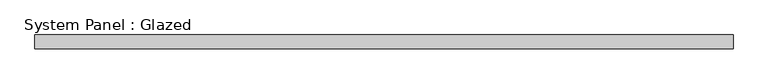
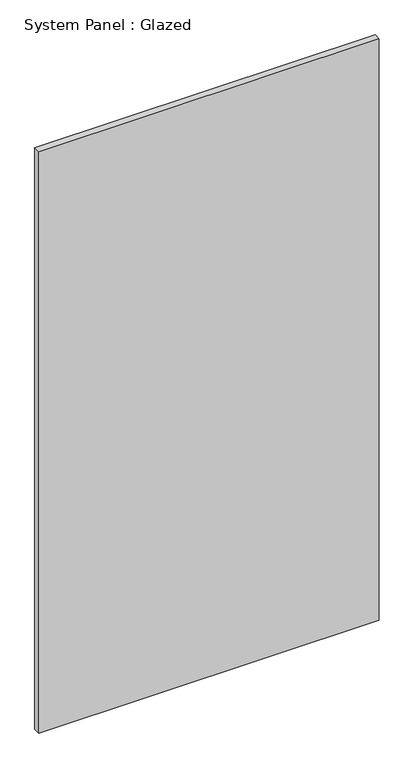
"""IFC4 building model written with IfcOpenShell, lengths in millimetres: plate geometry, System Panel : Glazed."""

from ifc_helpers import new_model, si_unit, origin, origin_with_axes, place, context, project, spatial, polyline, outline, extrude, source, transform, mapped, element, save


def system_panel_glazed_7e28682a(model_context):
    return source(origin(), model_context, "Body", "SweptSolid", [
        extrude(outline(polyline([(649.0416667, -44.45), (-649.0416667, -44.45), (-649.0416667, -19.05), (649.0416667, -19.05), (649.0416667, -44.45)])), origin_with_axes(), (0.0, 0.0, 1.0), 2343.15),
    ])


if __name__ == "__main__":
    model = new_model("IFC4")
    model_context = context("Model", 3, world=origin())
    ifc_project = project(units=[si_unit("LENGTHUNIT", "METRE", prefix="MILLI")], contexts=[model_context])
    site = spatial("IfcSite", under=ifc_project)
    building = spatial("IfcBuilding", under=site)
    placement = place(None, origin())
    system_panel_glazed_shape = system_panel_glazed_7e28682a(model_context)
    element("IfcPlate", 1, ObjectType="System Panel : Glazed", at=placement, inside=building, context=model_context, shape_type="MappedRepresentation", body=[
        mapped(system_panel_glazed_shape, transform((0.0, 0.0, 0.0), x_axis=(1.0, 0.0, 0.0), y_axis=(0.0, 1.0, 0.0), z_axis=(0.0, 0.0, 1.0))),
    ])
    save(model, "model.ifc")
